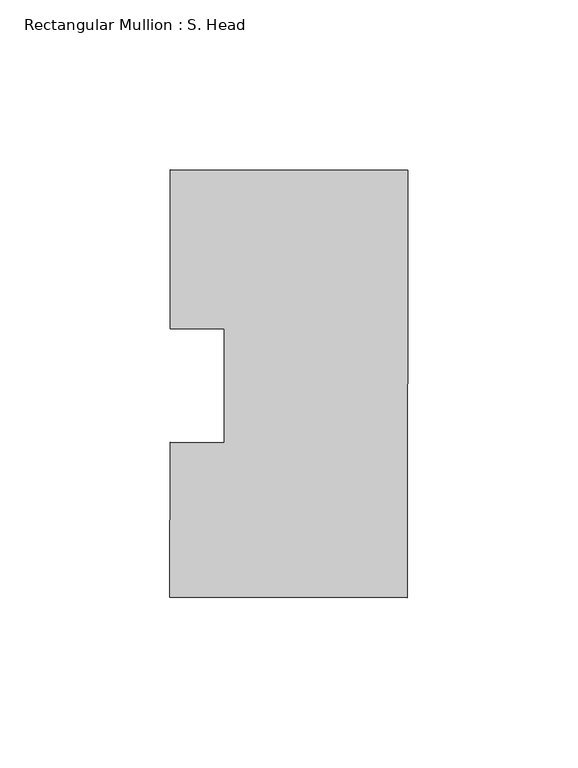
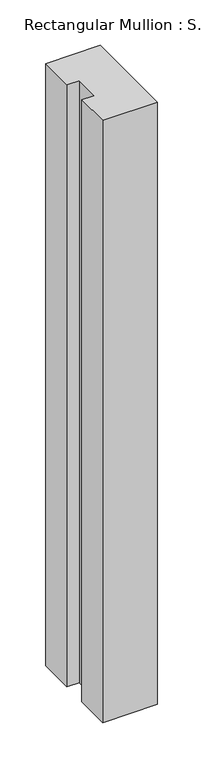
"""IFC4 building model written with IfcOpenShell, lengths in millimetres: member geometry, Rectangular Mullion : S. Head."""

from ifc_helpers import new_model, si_unit, frame, origin, place, context, project, spatial, polyline, outline, extrude, source, transform, mapped, element, save


def rectangular_mullion_s_head_e2fbb43c(model_context):
    return source(origin(), model_context, "Body", "SweptSolid", [
        extrude(outline(polyline([(-69.9433395, -16.6773033), (-54.0683503, -16.6957868), (-54.0294719, 16.6957868), (-69.9044612, 16.7142704), (-69.8499527, 63.5301323), (0.0, 63.4488048), (-0.1464486, -62.3319099), (-69.9964013, -62.2505824), (-69.9433395, -16.6773033)])), frame((0.0, 0.0, -809.625), z_axis=(0.0, 0.0, 1.0), x_axis=(1.0, 0.0, 0.0)), (0.0, 0.0, 1.0), 809.625),
    ])


if __name__ == "__main__":
    model = new_model("IFC4")
    model_context = context("Model", 3, world=origin())
    ifc_project = project(units=[si_unit("LENGTHUNIT", "METRE", prefix="MILLI")], contexts=[model_context])
    site = spatial("IfcSite", under=ifc_project)
    building = spatial("IfcBuilding", under=site)
    placement = place(None, origin())
    rectangular_mullion_s_head_shape = rectangular_mullion_s_head_e2fbb43c(model_context)
    element("IfcMember", 1, ObjectType="Rectangular Mullion : S. Head", at=placement, inside=building, context=model_context, shape_type="MappedRepresentation", body=[
        mapped(rectangular_mullion_s_head_shape, transform((0.0, 0.0, 0.0), x_axis=(1.0, 0.0, 0.0), y_axis=(0.0, 1.0, 0.0), z_axis=(0.0, 0.0, 1.0))),
    ])
    save(model, "model.ifc")
